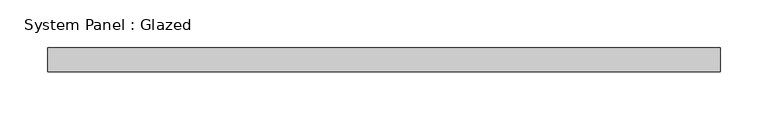
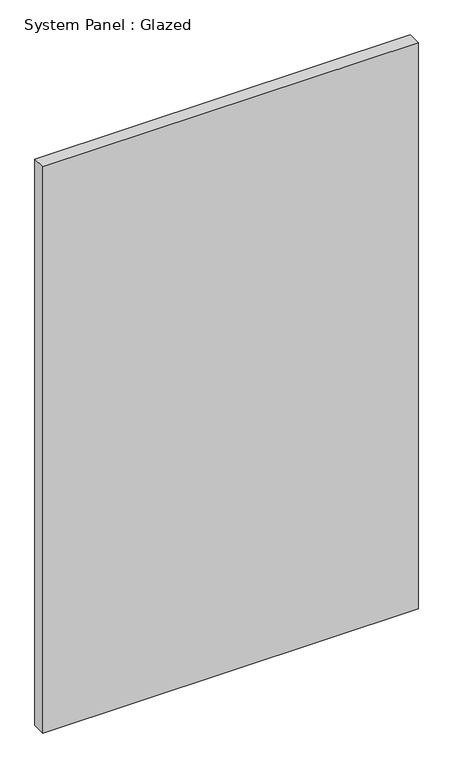
"""IFC4 building model written with IfcOpenShell, lengths in millimetres: plate geometry, System Panel : Glazed."""

from ifc_helpers import new_model, si_unit, origin, origin_with_axes, place, context, project, spatial, polyline, outline, extrude, source, transform, mapped, element, save


def system_panel_glazed_6e048bd7(model_context):
    return source(origin(), model_context, "Body", "SweptSolid", [
        extrude(outline(polyline([(352.425, -12.7), (-352.425, -12.7), (-352.425, 12.7), (352.425, 12.7), (352.425, -12.7)])), origin_with_axes(), (0.0, 0.0, 1.0), 1123.95),
    ])


if __name__ == "__main__":
    model = new_model("IFC4")
    model_context = context("Model", 3, world=origin())
    ifc_project = project(units=[si_unit("LENGTHUNIT", "METRE", prefix="MILLI")], contexts=[model_context])
    site = spatial("IfcSite", under=ifc_project)
    building = spatial("IfcBuilding", under=site)
    placement = place(None, origin())
    system_panel_glazed_shape = system_panel_glazed_6e048bd7(model_context)
    element("IfcPlate", 1, ObjectType="System Panel : Glazed", at=placement, inside=building, context=model_context, shape_type="MappedRepresentation", body=[
        mapped(system_panel_glazed_shape, transform((0.0, 0.0, 0.0), x_axis=(1.0, 0.0, 0.0), y_axis=(0.0, 1.0, 0.0), z_axis=(0.0, 0.0, 1.0))),
    ])
    save(model, "model.ifc")
